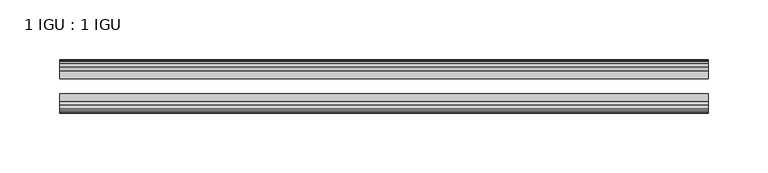
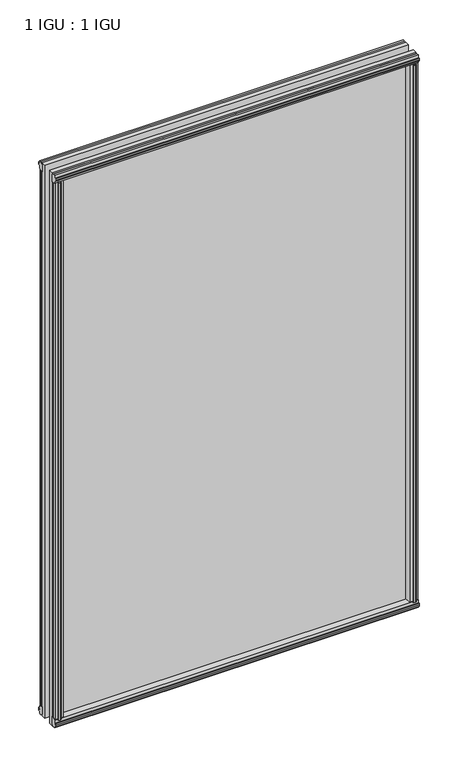
"""IFC4 building model written with IfcOpenShell, lengths in millimetres: plate geometry, 1 IGU : 1 IGU."""

from ifc_helpers import new_model, si_unit, frame, origin, origin_with_axes, place, context, project, spatial, polyline, outline, extrude, source, transform, mapped, element, save


def plate_1_igu_1_igu_a0cc22c9(model_context):
    return source(origin(), model_context, "Body", "SweptSolid", [
        extrude(outline(polyline([(258.3927852, -19.5460937), (260.4980623, -13.1960937), (265.7052567, -13.1960937), (266.0862567, -10.8158968), (264.6707277, -11.27583), (264.6707277, -10.4746158), (266.8482567, -9.7670937), (269.0257858, -10.4746158), (269.0257858, -11.27583), (267.6102567, -10.8158968), (267.9912567, -13.1960937), (272.4362567, -13.1960937), (272.4362567, -16.1419073), (270.2231792, -19.5460937), (258.3927852, -19.5460937)])), origin_with_axes(), (0.0, 0.0, 1.0), 850.9),
        extrude(outline(polyline([(-258.3927852, -19.5460937), (-270.2231792, -19.5460937), (-272.4362567, -16.1419073), (-272.4362567, -13.1960937), (-267.9912567, -13.1960937), (-267.6102567, -10.8158968), (-269.0257858, -11.27583), (-269.0257858, -10.4746158), (-266.8482567, -9.7670937), (-264.6707277, -10.4746158), (-264.6707277, -11.27583), (-266.0862567, -10.8158968), (-265.7052567, -13.1960937), (-260.4980623, -13.1960937), (-258.3927852, -19.5460937)])), origin_with_axes(), (0.0, 0.0, 1.0), 850.9),
        extrude(outline(polyline([(-16.1419073, -12.4576852), (-19.5460937, -10.2446077), (-19.5460937, 1.5857863), (-13.1960937, -0.5194908), (-13.1960937, -5.7266852), (-10.8158968, -6.1076852), (-11.27583, -4.6921562), (-10.4746158, -4.6921562), (-9.7670937, -6.8696852), (-10.4746158, -9.0472143), (-11.27583, -9.0472143), (-10.8158968, -7.6316852), (-13.1960937, -8.0126852), (-13.1960937, -12.4576852), (-16.1419073, -12.4576852)])), frame((-272.6785715, 0.0, 0.0), z_axis=(1.0, 0.0, 0.0), x_axis=(0.0, 1.0, 0.0)), (0.0, 0.0, 1.0), 545.357143),
        extrude(outline(polyline([(-48.3502802, -11.938), (-51.2960937, -11.938), (-51.2960937, -7.493), (-53.6762907, -7.112), (-53.2163575, -8.5275291), (-54.0175717, -8.5275291), (-54.7250937, -6.35), (-54.0175717, -4.172471), (-53.2163575, -4.172471), (-53.6762907, -5.588), (-51.2960937, -5.207), (-51.2960937, 0.0001944), (-44.9460937, 2.1054715), (-44.9460937, -9.7249225), (-48.3502802, -11.938)])), frame((-272.6785715, 0.0, 0.0), z_axis=(1.0, 0.0, 0.0), x_axis=(0.0, 1.0, 0.0)), (0.0, 0.0, 1.0), 545.357143),
        extrude(outline(polyline([(-16.1028367, 863.3576852), (-13.1960937, 863.3576852), (-13.1960937, 858.9126852), (-10.8158968, 858.5316852), (-11.27583, 859.9472143), (-10.4746158, 859.9472143), (-9.7670937, 857.7696852), (-10.4746158, 855.5921562), (-11.27583, 855.5921562), (-10.8158968, 857.0076852), (-13.1960937, 856.6266852), (-13.1960937, 851.3940908), (-19.5460937, 849.2888137), (-19.5460937, 861.1192077), (-16.1028367, 863.3576852)])), frame((-272.6785715, 0.0, 0.0), z_axis=(1.0, 0.0, 0.0), x_axis=(0.0, 1.0, 0.0)), (0.0, 0.0, 1.0), 545.357143),
        extrude(outline(polyline([(-48.3893508, 862.8126), (-44.9460937, 860.5741225), (-44.9460937, 848.7437285), (-51.2960937, 850.8490056), (-51.2960937, 856.0816), (-53.6762907, 856.4626), (-53.2163575, 855.047071), (-54.0175717, 855.047071), (-54.7250938, 857.2246), (-54.0175717, 859.4021291), (-53.2163575, 859.4021291), (-53.6762907, 857.9866), (-51.2960937, 858.3676), (-51.2960937, 862.8126), (-48.3893508, 862.8126)])), frame((-272.6785715, 0.0, 0.0), z_axis=(1.0, 0.0, 0.0), x_axis=(0.0, 1.0, 0.0)), (0.0, 0.0, 1.0), 545.357143),
        extrude(outline(polyline([(-257.8731, -44.9460938), (-259.9783771, -51.2960938), (-265.1855715, -51.2960938), (-265.5665715, -53.6762907), (-264.1510425, -53.2163575), (-264.1510425, -54.0175717), (-266.3285715, -54.7250938), (-268.5061006, -54.0175717), (-268.5061006, -53.2163575), (-267.0905715, -53.6762907), (-267.4715715, -51.2960938), (-271.9165715, -51.2960938), (-271.9165715, -48.3502802), (-269.703494, -44.9460938), (-257.8731, -44.9460938)])), origin_with_axes(), (0.0, 0.0, 1.0), 850.9),
        extrude(outline(polyline([(257.8731, -44.9460938), (269.703494, -44.9460938), (271.9165715, -48.3502802), (271.9165715, -51.2960938), (267.4715715, -51.2960938), (267.0905715, -53.6762907), (268.5061006, -53.2163575), (268.5061006, -54.0175717), (266.3285715, -54.7250938), (264.1510425, -54.0175717), (264.1510425, -53.2163575), (265.5665715, -53.6762907), (265.1855715, -51.2960938), (259.9783771, -51.2960938), (257.8731, -44.9460938)])), origin_with_axes(), (0.0, 0.0, 1.0), 850.9),
        extrude(outline(polyline([(272.6785715, -19.5460937), (272.6785715, -25.8337453), (-272.6785715, -25.8337453), (-272.6785715, -19.5460937), (272.6785715, -19.5460937)])), frame((0.0, 0.0, -12.7), z_axis=(0.0, 0.0, 1.0), x_axis=(1.0, 0.0, 0.0)), (0.0, 0.0, 1.0), 876.2872998),
        extrude(outline(polyline([(-272.6785715, -44.9460937), (-272.6785715, -38.6468938), (272.6785715, -38.6468938), (272.6785715, -44.9460937), (-272.6785715, -44.9460937)])), frame((0.0, 0.0, -12.7), z_axis=(0.0, 0.0, 1.0), x_axis=(1.0, 0.0, 0.0)), (0.0, 0.0, 1.0), 876.2872998),
    ])


if __name__ == "__main__":
    model = new_model("IFC4")
    model_context = context("Model", 3, world=origin())
    ifc_project = project(units=[si_unit("LENGTHUNIT", "METRE", prefix="MILLI")], contexts=[model_context])
    site = spatial("IfcSite", under=ifc_project)
    building = spatial("IfcBuilding", under=site)
    placement = place(None, origin())
    plate_1_igu_1_igu_shape = plate_1_igu_1_igu_a0cc22c9(model_context)
    element("IfcPlate", 1, ObjectType="1 IGU : 1 IGU", at=placement, inside=building, context=model_context, shape_type="MappedRepresentation", body=[
        mapped(plate_1_igu_1_igu_shape, transform((0.0, 0.0, 0.0), x_axis=(1.0, 0.0, 0.0), y_axis=(0.0, 1.0, 0.0), z_axis=(0.0, 0.0, 1.0))),
    ])
    save(model, "model.ifc")
